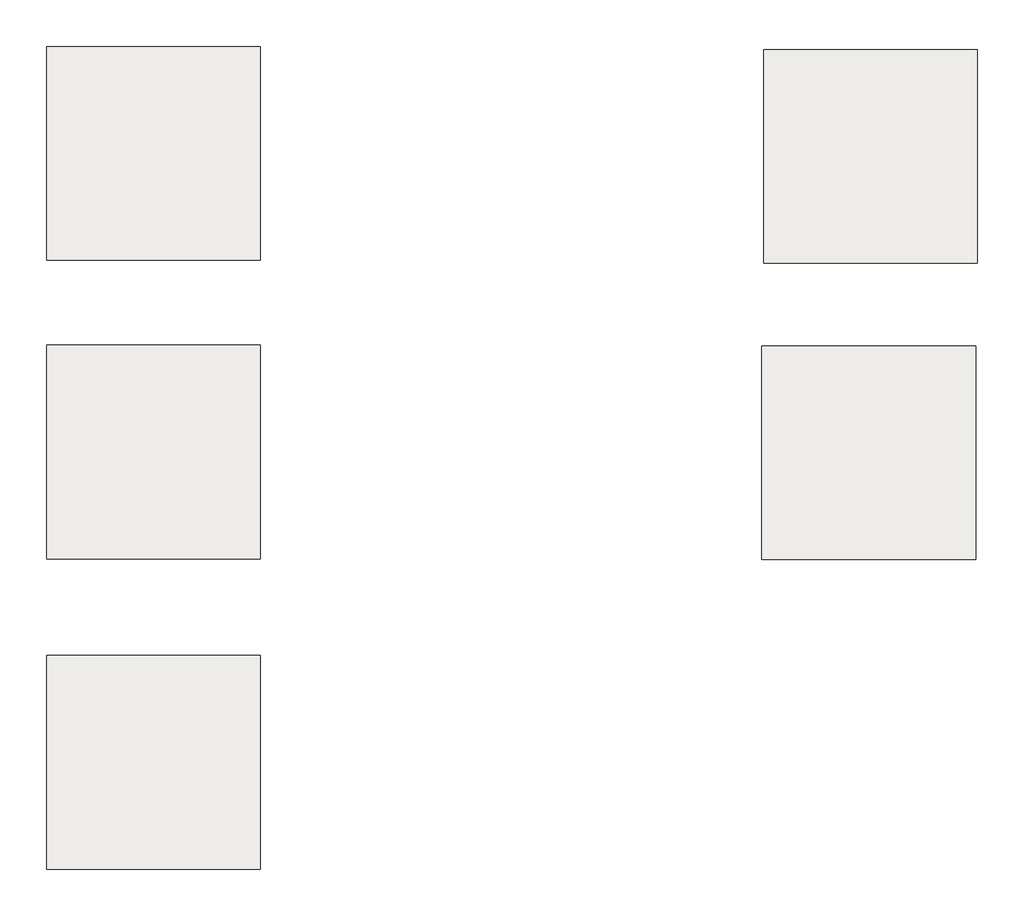
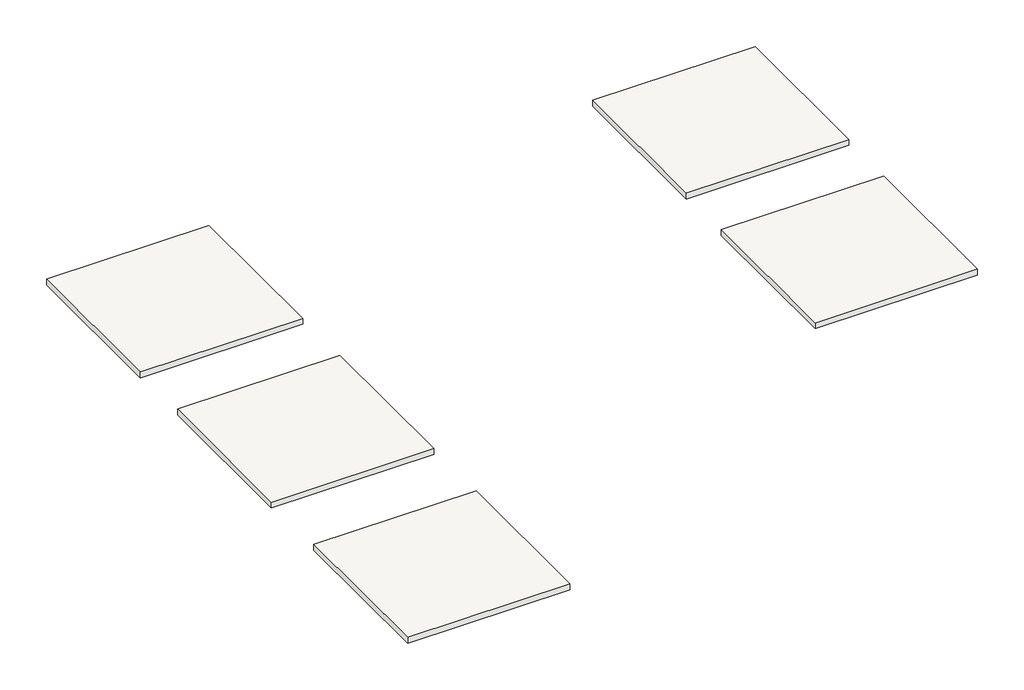
# One storey: 5 slabs.
"""IFC4 building model written with IfcOpenShell, lengths in millimetres."""

import ifcopenshell
import ifcopenshell.guid

model = None  # the IFC model being written
_history = None  # IfcOwnerHistory: only IFC2X3 demands one
_inside = {}  # id of a spatial element -> (the spatial element, [elements in it])
_under = {}  # id of a project, library or spatial element -> (it, [spatial elements below it])
_declared = {}  # id of a project -> (the project, [libraries it declares])
_typed = {}  # id of a type object -> (the type object, [elements of that type])
_made_of = {}  # id of a material, layer set ... -> (it, [elements and type objects made of it])


def new_model(schema):
    """Start an empty IFC model of exactly this schema.

    Asked for "IFC4X3", IfcOpenShell would pick the latest addendum, in which some entities
    have other attributes; the version numbers below select the first issue.
    IFC2X3 requires an IfcOwnerHistory on every rooted entity: one is made here for all.
    """
    global model, _history
    if schema == "IFC4X3":
        model = ifcopenshell.file(schema_version=(4, 3, 0, 0))
    else:
        model = ifcopenshell.file(schema=schema)
    _inside.clear()
    _under.clear()
    _declared.clear()
    _typed.clear()
    _made_of.clear()
    _history = None
    if model.schema == "IFC2X3":
        org = make("IfcOrganization", Name="unknown")
        user = make(
            "IfcPersonAndOrganization",
            ThePerson=make("IfcPerson", FamilyName="unknown"),
            TheOrganization=org,
        )
        app = make(
            "IfcApplication",
            ApplicationDeveloper=org,
            Version="unknown",
            ApplicationFullName="unknown",
            ApplicationIdentifier="unknown",
        )
        _history = make(
            "IfcOwnerHistory",
            OwningUser=user,
            OwningApplication=app,
            ChangeAction="ADDED",
            CreationDate=0,
        )
    return model


def make(cls, **values):
    """One entity of the class cls with the attributes given. An attribute that is None is left unset."""
    return model.create_entity(
        cls, **{name: value for name, value in values.items() if value is not None}
    )


def rooted(cls, **values):
    """An entity with a GlobalId (a new one), such as an element, a storey or a relation."""
    return make(cls, GlobalId=ifcopenshell.guid.new(), OwnerHistory=_history, **values)


def si_unit(unit_type, name, prefix=None):
    """IfcSIUnit, for example si_unit("LENGTHUNIT", "METRE", prefix="MILLI")."""
    return make("IfcSIUnit", UnitType=unit_type, Prefix=prefix, Name=name)


def assignment(units):
    """IfcUnitAssignment: the units of a project."""
    return None if units is None else make("IfcUnitAssignment", Units=units)


def point(xyz):
    """IfcCartesianPoint."""
    return None if xyz is None else make("IfcCartesianPoint", Coordinates=xyz)


def direction(xyz):
    """IfcDirection."""
    return None if xyz is None else make("IfcDirection", DirectionRatios=xyz)


def frame(location, z_axis=None, x_axis=None):
    """IfcAxis2Placement3D, a coordinate frame: its origin and axes. An axis left out is left unset."""
    return make(
        "IfcAxis2Placement3D",
        Location=point(location),
        Axis=direction(z_axis),
        RefDirection=direction(x_axis),
    )


def origin():
    """The frame at (0, 0, 0) with its axes left unset."""
    return frame((0.0, 0.0, 0.0))


def place(relative_to, where):
    """IfcLocalPlacement: puts the frame where relative to a parent placement (None: the world)."""
    return make(
        "IfcLocalPlacement", PlacementRelTo=relative_to, RelativePlacement=where
    )


def context(
    kind, dimensions, precision=None, world=None, true_north=None, identifier=None
):
    """IfcGeometricRepresentationContext, for example the 3D "Model" context."""
    return make(
        "IfcGeometricRepresentationContext",
        ContextIdentifier=identifier,
        ContextType=kind,
        CoordinateSpaceDimension=dimensions,
        Precision=precision,
        WorldCoordinateSystem=world,
        TrueNorth=true_north,
    )


def project(units=None, contexts=None):
    """IfcProject with its units and contexts."""
    return rooted(
        "IfcProject",
        Name="project",
        RepresentationContexts=contexts,
        UnitsInContext=assignment(units),
    )


def spatial(cls, under=None, at=None, **own):
    """A site, building, storey or space (cls), placed at a placement, below another one or the project."""
    s = rooted(cls, ObjectPlacement=at, **own)
    if under is not None:
        _under.setdefault(under.id(), (under, []))[1].append(s)
    return s


def polyline(points):
    """IfcPolyline through the points."""
    return make("IfcPolyline", Points=[point(p) for p in points])


def outline(outer, holes=None, kind="AREA"):
    """IfcArbitraryClosedProfileDef: a profile drawn as a closed curve; with holes, ...WithVoids."""
    if holes is None:
        return make("IfcArbitraryClosedProfileDef", ProfileType=kind, OuterCurve=outer)
    return make(
        "IfcArbitraryProfileDefWithVoids",
        ProfileType=kind,
        OuterCurve=outer,
        InnerCurves=holes,
    )


def extrude(swept, where, along, depth):
    """IfcExtrudedAreaSolid: the profile swept, set in the frame where, extruded along a direction by depth."""
    return make(
        "IfcExtrudedAreaSolid",
        SweptArea=swept,
        Position=where,
        ExtrudedDirection=direction(along),
        Depth=depth,
    )


def shape(context_of_items, identifier, shape_type, items):
    """IfcShapeRepresentation: the items that make up one representation, for example the "Body"."""
    return make(
        "IfcShapeRepresentation",
        ContextOfItems=context_of_items,
        RepresentationIdentifier=identifier,
        RepresentationType=shape_type,
        Items=items,
    )


def made_of(thing, what):
    """Note that an element or type object is made of a material, layer set ...; save() writes the relation."""
    if what is not None:
        _made_of.setdefault(what.id(), (what, []))[1].append(thing)
    return thing


def element(
    cls,
    number,
    at=None,
    inside=None,
    cuts=None,
    type_object=None,
    material=None,
    context=None,
    identifier="Body",
    shape_type=None,
    held_by="IfcProductDefinitionShape",
    body=None,
    shapes=None,
    **own,
):
    """One element of the class cls, such as IfcWall. Its Tag is "e" and its number.

    at: its placement. inside: the storey or other place that contains it. cuts: it is an
    opening in that element (IfcRelVoidsElement). A single representation is given by context,
    identifier, shape_type and body (its items); several are given by shapes. held_by: the class
    of the entity that holds the representations. save() writes the other relations.
    """
    e = rooted(cls, Tag="e%d" % number, ObjectPlacement=at, **own)
    if body is not None:
        shapes = [shape(context, identifier, shape_type, body)]
    if shapes is not None:
        e.Representation = make(held_by, Representations=shapes)
    if inside is not None:
        _inside.setdefault(inside.id(), (inside, []))[1].append(e)
    if cuts is not None:
        rooted(
            "IfcRelVoidsElement", RelatingBuildingElement=cuts, RelatedOpeningElement=e
        )
    if type_object is not None:
        _typed.setdefault(type_object.id(), (type_object, []))[1].append(e)
    return made_of(e, material)


def aggregate(whole, parts):
    """IfcRelAggregates: a whole, such as a stair, and the parts it consists of."""
    return rooted("IfcRelAggregates", RelatingObject=whole, RelatedObjects=parts)


def save(model, path):
    """Write the relations noted so far, then the file.

    IfcRelAggregates (storeys below a building ...), IfcRelContainedInSpatialStructure (elements
    in a storey), IfcRelDefinesByType, IfcRelAssociatesMaterial and IfcRelDeclares: one each for
    every whole, place, type object, material and project.
    """
    for whole, parts in _under.values():
        aggregate(whole, parts)
    for where, things in _inside.values():
        rooted(
            "IfcRelContainedInSpatialStructure",
            RelatedElements=things,
            RelatingStructure=where,
        )
    for kind, things in _typed.values():
        rooted("IfcRelDefinesByType", RelatedObjects=things, RelatingType=kind)
    for what, things in _made_of.values():
        rooted("IfcRelAssociatesMaterial", RelatedObjects=things, RelatingMaterial=what)
    for by, libraries in _declared.values():
        rooted("IfcRelDeclares", RelatingContext=by, RelatedDefinitions=libraries)
    model.write(path)


model = new_model("IFC4")

# Units and contexts
model_context = context("Model", 3, world=origin())
ifc_project = project(units=[si_unit("LENGTHUNIT", "METRE", prefix="MILLI")], contexts=[model_context])

# Site, building, storey
site = spatial("IfcSite", under=ifc_project)
building = spatial("IfcBuilding", under=site)
storey = spatial("IfcBuildingStorey", under=building, Elevation=0.0)

# Slabs
placement = place(None, origin())
element("IfcSlab", 1, at=placement, inside=storey, context=model_context, shape_type="SweptSolid", body=[
    extrude(outline(polyline([(-14023.0296905, 8661.6573087), (-14023.0296905, 7661.6593087), (-15023.0276905, 7661.6593087), (-15023.0276905, 8661.6573087), (-14023.0296905, 8661.6573087)])), frame((0.0, 0.0, -38.1), z_axis=(0.0, 0.0, 1.0), x_axis=(1.0, 0.0, 0.0)), (0.0, 0.0, 1.0), 38.1),
])
element("IfcSlab", 2, at=placement, inside=storey, context=model_context, shape_type="SweptSolid", body=[
    extrude(outline(polyline([(-14023.0296905, 7207.9360063), (-14023.0296905, 6207.9380063), (-15023.0276905, 6207.9380063), (-15023.0276905, 7207.9360063), (-14023.0296905, 7207.9360063)])), frame((0.0, 0.0, -38.1), z_axis=(0.0, 0.0, 1.0), x_axis=(1.0, 0.0, 0.0)), (0.0, 0.0, 1.0), 38.1),
])
element("IfcSlab", 3, at=placement, inside=storey, context=model_context, shape_type="SweptSolid", body=[
    extrude(outline(polyline([(-10666.2488534, 10044.915419), (-10666.2488534, 9044.917419), (-11666.2468534, 9044.917419), (-11666.2468534, 10044.915419), (-10666.2488534, 10044.915419)])), frame((0.0, 0.0, -38.1), z_axis=(0.0, 0.0, 1.0), x_axis=(1.0, 0.0, 0.0)), (0.0, 0.0, 1.0), 38.1),
])
element("IfcSlab", 4, at=placement, inside=storey, context=model_context, shape_type="SweptSolid", body=[
    extrude(outline(polyline([(-10674.7088534, 8657.1533117), (-10674.7088534, 7657.1553117), (-11674.7068534, 7657.1553117), (-11674.7068534, 8657.1533117), (-10674.7088534, 8657.1533117)])), frame((0.0, 0.0, -38.1), z_axis=(0.0, 0.0, 1.0), x_axis=(1.0, 0.0, 0.0)), (0.0, 0.0, 1.0), 38.1),
])
element("IfcSlab", 5, at=placement, inside=storey, context=model_context, shape_type="SweptSolid", body=[
    extrude(outline(polyline([(-14023.0296905, 10060.1400538), (-14023.0296905, 9060.1420538), (-15023.0276905, 9060.1420538), (-15023.0276905, 10060.1400538), (-14023.0296905, 10060.1400538)])), frame((0.0, 0.0, -38.1), z_axis=(0.0, 0.0, 1.0), x_axis=(1.0, 0.0, 0.0)), (0.0, 0.0, 1.0), 38.1),
])

save(model, "model.ifc")
